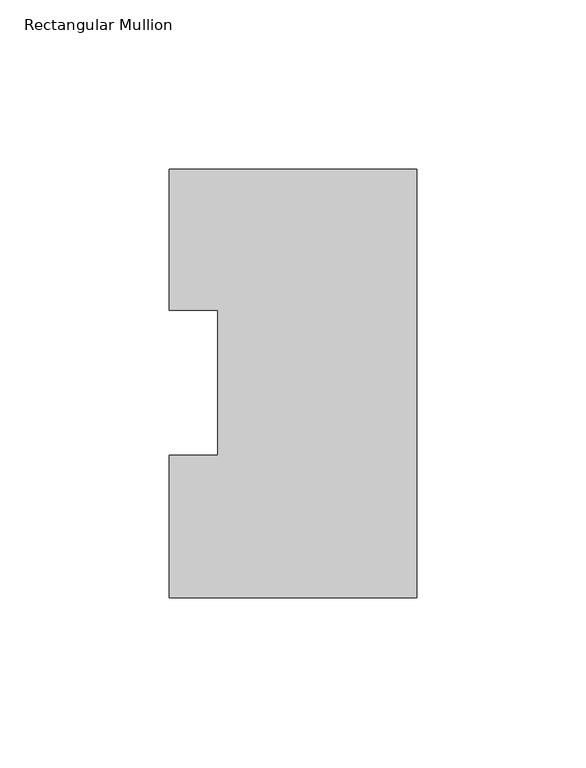
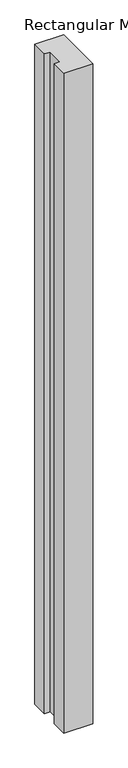
"""IFC4 building model written with IfcOpenShell, lengths in millimetres: member geometry, Rectangular Mullion."""

from ifc_helpers import new_model, si_unit, frame, origin, place, context, project, spatial, polyline, outline, extrude, source, transform, mapped, element, save


def rectangular_mullion_dde8724c(model_context):
    return source(origin(), model_context, "Body", "SweptSolid", [
        extrude(outline(polyline([(0.0, 126.7348875), (0.0, 0.2428875), (-73.025, 0.2428875), (-73.025, 42.2798875), (-58.7375, 42.2798875), (-58.7375, 85.1296875), (-73.025, 85.1296875), (-73.025, 126.7348875), (0.0, 126.7348875)])), frame((0.0, 0.0, -1765.3), z_axis=(0.0, 0.0, 1.0), x_axis=(1.0, 0.0, 0.0)), (0.0, 0.0, 1.0), 1765.3),
    ])


if __name__ == "__main__":
    model = new_model("IFC4")
    model_context = context("Model", 3, world=origin())
    ifc_project = project(units=[si_unit("LENGTHUNIT", "METRE", prefix="MILLI")], contexts=[model_context])
    site = spatial("IfcSite", under=ifc_project)
    building = spatial("IfcBuilding", under=site)
    placement = place(None, origin())
    rectangular_mullion_shape = rectangular_mullion_dde8724c(model_context)
    element("IfcMember", 1, ObjectType="Rectangular Mullion", at=placement, inside=building, context=model_context, shape_type="MappedRepresentation", body=[
        mapped(rectangular_mullion_shape, transform((0.0, 0.0, 0.0), x_axis=(1.0, 0.0, 0.0), y_axis=(0.0, 1.0, 0.0), z_axis=(0.0, 0.0, 1.0))),
    ])
    save(model, "model.ifc")
